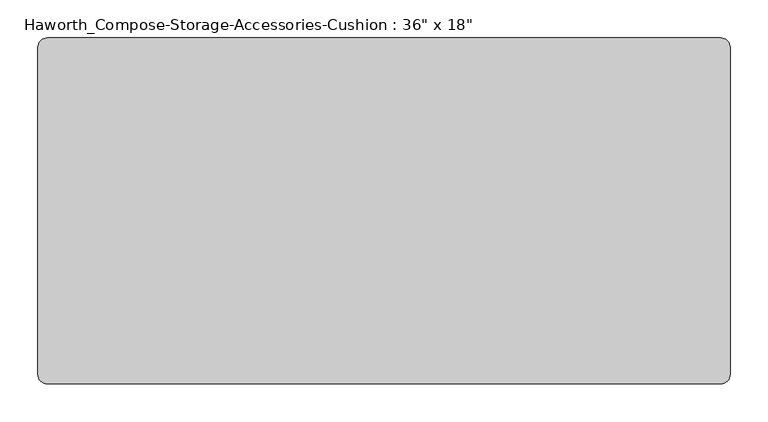
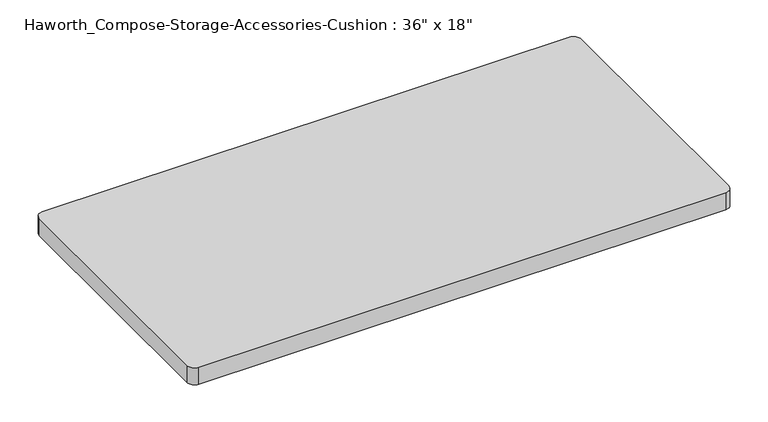
"""IFC4 building model written with IfcOpenShell, lengths in millimetres: furniture geometry."""

from ifc_helpers import new_model, si_unit, point, frame, frame_2d, origin, place, context, project, spatial, polyline, circle_curve, trimmed, segment, composite_curve, outline, extrude, source, transform, mapped, element, save


def furniture_8668b182(model_context):
    return source(origin(), model_context, "Body", "SweptSolid", [
        extrude(outline(composite_curve([segment(trimmed(circle_curve(frame_2d((444.5, 215.9)), 12.7), [point((444.5, 228.6))], [point((457.2, 215.9))], False, "CARTESIAN"), True, "CONTINUOUS"), segment(polyline([(457.2, 215.9), (457.2, -215.9)]), True, "CONTINUOUS"), segment(trimmed(circle_curve(frame_2d((444.5, -215.9)), 12.7), [point((457.2, -215.9))], [point((444.5, -228.6))], False, "CARTESIAN"), True, "CONTINUOUS"), segment(polyline([(444.5, -228.6), (-444.5, -228.6)]), True, "CONTINUOUS"), segment(trimmed(circle_curve(frame_2d((-444.5, -215.9)), 12.7), [point((-444.5, -228.6))], [point((-457.2, -215.9))], False, "CARTESIAN"), True, "CONTINUOUS"), segment(polyline([(-457.2, -215.9), (-457.2, 215.9)]), True, "CONTINUOUS"), segment(trimmed(circle_curve(frame_2d((-444.5, 215.9)), 12.7), [point((-457.2, 215.9))], [point((-444.5, 228.6))], False, "CARTESIAN"), True, "CONTINUOUS"), segment(polyline([(-444.5, 228.6), (444.5, 228.6)]), True, "CONTINUOUS")], self_intersect=False)), frame((0.0, 0.0, 584.2), z_axis=(0.0, 0.0, 1.0), x_axis=(1.0, 0.0, 0.0)), (0.0, 0.0, 1.0), 30.1625),
    ])


if __name__ == "__main__":
    model = new_model("IFC4")
    model_context = context("Model", 3, world=origin())
    ifc_project = project(units=[si_unit("LENGTHUNIT", "METRE", prefix="MILLI")], contexts=[model_context])
    site = spatial("IfcSite", under=ifc_project)
    building = spatial("IfcBuilding", under=site)
    placement = place(None, origin())
    furniture_shape = furniture_8668b182(model_context)
    element("IfcFurniture", 1, ObjectType="Haworth_Compose-Storage-Accessories-Cushion : 36\" x 18\"", at=placement, inside=building, context=model_context, shape_type="MappedRepresentation", body=[
        mapped(furniture_shape, transform((0.0, 0.0, 0.0), x_axis=(1.0, 0.0, 0.0), y_axis=(0.0, 1.0, 0.0), z_axis=(0.0, 0.0, 1.0))),
    ])
    save(model, "model.ifc")
